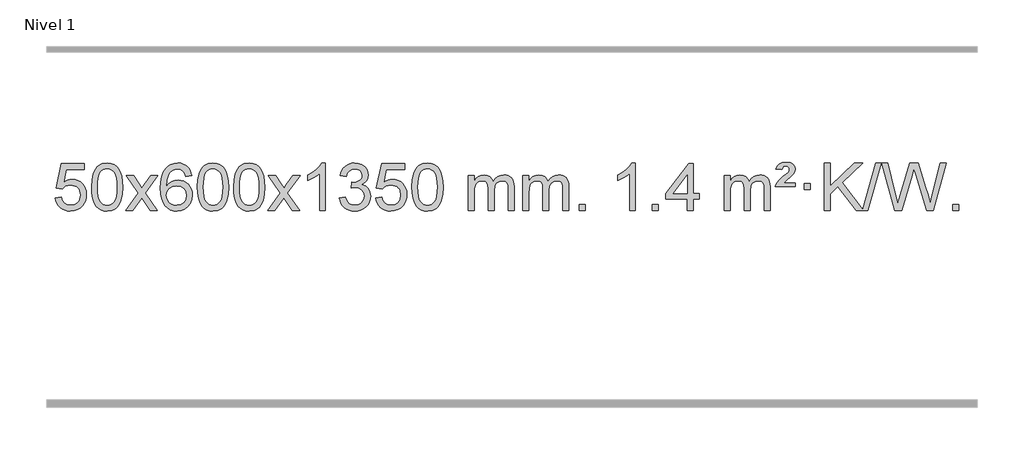
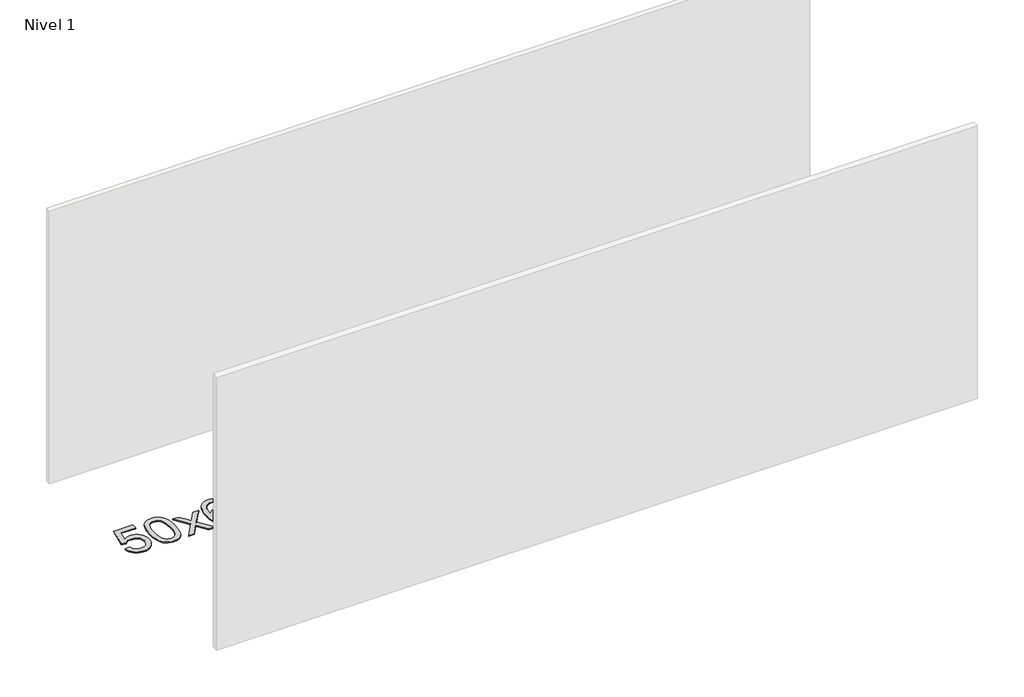
# One storey, part 8 of 9: 1 proxy.
"""IFC4 building model written with IfcOpenShell, lengths in millimetres."""

from ifc_helpers import new_model, si_unit, origin, origin_with_axes, place, context, project, spatial, polyline, outline, extrude, element, save

model = new_model("IFC4")

# Units and contexts
model_context = context("Model", 3, world=origin())
ifc_project = project(units=[si_unit("LENGTHUNIT", "METRE", prefix="MILLI")], contexts=[model_context])

# Site, building, storey
site = spatial("IfcSite", under=ifc_project)
building = spatial("IfcBuilding", under=site)
storey = spatial("IfcBuildingStorey", under=building, Name="Nivel 1", Elevation=0.0)

# Proxy
placement = place(None, origin())
element("IfcBuildingElementProxy", 1, Name="Texto de modelo 1", ObjectType="Texto de modelo 1", at=placement, inside=storey, context=model_context, shape_type="SweptSolid", body=[
    extrude(outline(polyline([(-6456.1697105, -288.8446235), (-6405.9415554, -282.5661041), (-6396.71998, -312.7201649), (-6380.6312741, -334.3148381), (-6357.749014, -347.3010725), (-6328.1467761, -351.6298173), (-6309.0169124, -350.1245668), (-6292.1433915, -345.6088153), (-6277.5262136, -338.0825628), (-6265.1653786, -327.5458094), (-6255.3367979, -314.519721), (-6248.3163832, -299.5254641), (-6242.7000514, -263.6324441), (-6247.9607639, -229.8363514), (-6254.5366546, -215.9181493), (-6263.7429015, -203.9865099), (-6275.6101615, -194.4154467), (-6290.1690915, -187.5789729), (-6327.3619612, -182.1097939), (-6351.728012, -184.2925604), (-6371.4587497, -190.8408599), (-6387.2163618, -200.8717757), (-6399.663036, -213.5023908), (-6449.8911911, -207.2238715), (-6405.9415554, -0.0327318), (-6211.3074545, -0.0327318), (-6211.3074545, -50.2608869), (-6365.3273831, -50.2608869), (-6386.9097935, -160.919791), (-6369.1840127, -148.2155994), (-6351.0290362, -139.1411769), (-6332.4448641, -133.6965234), (-6313.4314963, -131.8816388), (-6288.9673437, -134.1318504), (-6266.4897537, -140.882485), (-6245.9987266, -152.1335427), (-6227.4942623, -167.8850234), (-6212.1719772, -187.1743027), (-6201.2274878, -209.038756), (-6194.6607942, -233.4783832), (-6192.4718963, -260.4931844), (-6194.440065, -286.5147042), (-6200.344571, -310.7213394), (-6210.1854144, -333.1130902), (-6223.9625951, -353.6899565), (-6244.833767, -374.7634634), (-6269.187555, -389.8159684), (-6297.0239593, -398.8474714), (-6328.3429799, -401.8579724), (-6354.2633321, -399.9235262), (-6377.6759554, -394.1201877), (-6398.5808498, -384.447957), (-6416.9780152, -370.9068338), (-6432.2849719, -354.1712688), (-6443.91924, -334.915712), (-6451.8808195, -313.1401636), (-6456.1697105, -288.8446235)])), origin_with_axes(), (0.0, 0.0, 1.0), 10.0),
    extrude(outline(polyline([(-6148.5222606, -197.9041943), (-6144.8311779, -133.5861588), (-6133.7579299, -82.2911459), (-6115.4128811, -43.2343407), (-6103.5548181, -28.0009605), (-6089.9063961, -15.6309284), (-6074.4216298, -6.0598651), (-6057.0545339, 0.7766086), (-6016.6733536, 6.2457876), (-5985.722215, 3.008426), (-5958.0084381, -6.7036586), (-5934.8318724, -22.5103217), (-5917.4923677, -44.0314184), (-5904.3957686, -71.0830078), (-5893.94792, -103.4811488), (-5887.1053149, -144.6226186), (-5884.8244465, -197.9041943), (-5888.478741, -261.8543477), (-5899.4416244, -313.0267333), (-5917.6763087, -352.1203266), (-5929.5067805, -367.3996922), (-5943.1460055, -379.8341036), (-5958.6491659, -389.4695462), (-5976.071444, -396.3520052), (-6016.6733536, -401.8579724), (-6044.3380796, -399.4667394), (-6068.8635459, -392.2930405), (-6090.2497526, -380.3368757), (-6108.4966996, -363.5982449), (-6126.0078825, -333.3399508), (-6138.5158704, -295.6381776), (-6146.0206631, -250.4929255), (-6148.5222606, -197.9041943)]), holes=[polyline([(-6098.2941056, -197.8060924), (-6096.8225776, -241.4706195), (-6092.4079936, -276.8148822), (-6085.0503537, -303.8388804), (-6074.7496579, -322.5426142), (-6062.290721, -335.2682656), (-6048.4583579, -344.3580165), (-6033.2525688, -349.8118671), (-6016.6733536, -351.6298173), (-6000.0941383, -349.8057357), (-5984.8883492, -344.3334911), (-5971.0559862, -335.2130833), (-5958.5970493, -322.4445124), (-5948.2963534, -303.7101217), (-5940.9387135, -276.6922549), (-5936.5241295, -241.3909118), (-5935.0526016, -197.8060924), (-5936.4750786, -155.2973278), (-5940.7425098, -120.5753989), (-5947.854895, -93.6403055), (-5957.8122343, -74.4920476), (-5970.0627048, -61.1440625), (-5984.0544833, -51.6097875), (-5999.78757, -45.8892225), (-6017.2619648, -43.9823675), (-6033.7553409, -45.6623619), (-6048.7036126, -50.7023452), (-6062.10678, -59.1023175), (-6073.9648429, -70.8622786), (-6084.6088953, -91.708925), (-6092.2117899, -119.8151094), (-6096.7735266, -155.1808319), (-6098.2941056, -197.8060924)])]), origin_with_axes(), (0.0, 0.0, 1.0), 10.0),
    extrude(outline(polyline([(-5859.7103689, -395.579453), (-5752.3869282, -247.1513307), (-5853.4318496, -100.4890419), (-5793.1973042, -100.4890419), (-5744.4406771, -171.2204869), (-5721.5829425, -204.4770192), (-5701.7663657, -177.2047007), (-5646.2407099, -100.4890419), (-5585.8099608, -100.4890419), (-5691.9561791, -247.2494325), (-5589.7340354, -395.579453), (-5650.0666826, -395.579453), (-5711.6746541, -306.3067555), (-5722.8582667, -289.923744), (-5799.2796199, -395.579453), (-5859.7103689, -395.579453)])), origin_with_axes(), (0.0, 0.0, 1.0), 10.0),
    extrude(outline(polyline([(-5300.9221437, -100.4890419), (-5351.1502988, -106.7675613), (-5359.2437027, -81.874213), (-5370.1820607, -64.8780648), (-5392.9662189, -49.2062918), (-5420.5083176, -43.9823675), (-5443.8565616, -47.0235253), (-5465.8313794, -56.1469988), (-5484.7037258, -75.3627017), (-5500.1179814, -101.8134171), (-5510.5290419, -139.227016), (-5514.3918028, -191.3313693), (-5494.2441322, -167.8237098), (-5470.0988106, -151.2567573), (-5443.3047386, -141.434308), (-5415.2108169, -138.1601582), (-5391.077758, -140.398107), (-5368.8086346, -147.1119534), (-5348.4034466, -158.3016975), (-5329.862194, -173.9673391), (-5314.4540698, -193.1769106), (-5303.4482668, -214.9984443), (-5296.844785, -239.4319401), (-5294.6436244, -266.4773982), (-5298.7884282, -302.4439945), (-5311.2228396, -335.786366), (-5330.9167891, -364.0642287), (-5356.840207, -384.8372987), (-5387.815871, -397.602804), (-5422.6665587, -401.8579724), (-5452.6090874, -399.0375437), (-5479.6514797, -390.5762579), (-5503.7937357, -376.4741147), (-5525.0358552, -356.7311143), (-5542.3539001, -330.5133908), (-5554.7239322, -296.9870783), (-5562.1459515, -256.1521768), (-5564.6199579, -208.0086864), (-5561.8731057, -154.0342663), (-5553.632549, -107.9693092), (-5539.8982878, -69.8138149), (-5520.6703222, -39.5677835), (-5499.8298072, -19.5243462), (-5475.6660915, -5.2076052), (-5448.179175, 3.3824394), (-5417.3690579, 6.2457876), (-5394.2354118, 4.4738227), (-5373.2967949, -0.8420722), (-5354.5532073, -9.7018969), (-5338.0046489, -22.1056515), (-5324.0987094, -37.6364031), (-5313.2829788, -55.8772186), (-5305.5574569, -76.8280983), (-5300.9221437, -100.4890419)]), holes=[polyline([(-5514.3918028, -265.6925832), (-5511.485535, -287.9494439), (-5502.7667318, -309.2007605), (-5489.2286743, -327.472233), (-5471.8646442, -340.7895612), (-5450.9076332, -348.9197533), (-5426.5906333, -351.6298173), (-5393.4444655, -346.0134855), (-5379.5293291, -338.9930708), (-5367.3861575, -329.1644901), (-5357.5361171, -316.9262824), (-5350.500374, -302.6769865), (-5344.8717794, -268.1451299), (-5350.4267976, -234.9989621), (-5357.3705702, -221.3781312), (-5367.0918519, -209.725469), (-5379.2718117, -200.3904634), (-5393.5916183, -193.7226022), (-5428.6507725, -188.3883133), (-5461.7478893, -193.7226022), (-5489.4248781, -209.725469), (-5500.3479076, -221.2248471), (-5508.1500716, -234.3858254), (-5512.83137, -249.2084042), (-5514.3918028, -265.6925832)])]), origin_with_axes(), (0.0, 0.0, 1.0), 10.0),
    extrude(outline(polyline([(-5250.6939887, -197.9041943), (-5247.002906, -133.5861588), (-5235.9296579, -82.2911459), (-5217.5846091, -43.2343407), (-5205.7265461, -28.0009605), (-5192.0781241, -15.6309284), (-5176.5933578, -6.0598651), (-5159.2262619, 0.7766086), (-5118.8450816, 6.2457876), (-5087.8939431, 3.008426), (-5060.1801661, -6.7036586), (-5037.0036004, -22.5103217), (-5019.6640957, -44.0314184), (-5006.5674967, -71.0830078), (-4996.119648, -103.4811488), (-4989.2770429, -144.6226186), (-4986.9961745, -197.9041943), (-4990.650469, -261.8543477), (-5001.6133525, -313.0267333), (-5019.8480367, -352.1203266), (-5031.6785085, -367.3996922), (-5045.3177335, -379.8341036), (-5060.8208939, -389.4695462), (-5078.2431721, -396.3520052), (-5118.8450816, -401.8579724), (-5146.5098076, -399.4667394), (-5171.035274, -392.2930405), (-5192.4214806, -380.3368757), (-5210.6684276, -363.5982449), (-5228.1796106, -333.3399508), (-5240.6875984, -295.6381776), (-5248.1923911, -250.4929255), (-5250.6939887, -197.9041943)]), holes=[polyline([(-5200.4658336, -197.8060924), (-5198.9943056, -241.4706195), (-5194.5797217, -276.8148822), (-5187.2220818, -303.8388804), (-5176.9213859, -322.5426142), (-5164.462449, -335.2682656), (-5150.630086, -344.3580165), (-5135.4242968, -349.8118671), (-5118.8450816, -351.6298173), (-5102.2658663, -349.8057357), (-5087.0600772, -344.3334911), (-5073.2277142, -335.2130833), (-5060.7687773, -322.4445124), (-5050.4680814, -303.7101217), (-5043.1104415, -276.6922549), (-5038.6958576, -241.3909118), (-5037.2243296, -197.8060924), (-5038.6468066, -155.2973278), (-5042.9142378, -120.5753989), (-5050.026623, -93.6403055), (-5059.9839624, -74.4920476), (-5072.2344328, -61.1440625), (-5086.2262114, -51.6097875), (-5101.959298, -45.8892225), (-5119.4336928, -43.9823675), (-5135.9270689, -45.6623619), (-5150.8753406, -50.7023452), (-5164.278508, -59.1023175), (-5176.136571, -70.8622786), (-5186.7806234, -91.708925), (-5194.3835179, -119.8151094), (-5198.9452547, -155.1808319), (-5200.4658336, -197.8060924)])]), origin_with_axes(), (0.0, 0.0, 1.0), 10.0),
    extrude(outline(polyline([(-4943.0465388, -197.9041943), (-4939.3554561, -133.5861588), (-4928.2822081, -82.2911459), (-4909.9371593, -43.2343407), (-4898.0790963, -28.0009605), (-4884.4306743, -15.6309284), (-4868.945908, -6.0598651), (-4851.5788121, 0.7766086), (-4811.1976318, 6.2457876), (-4780.2464932, 3.008426), (-4752.5327163, -6.7036586), (-4729.3561506, -22.5103217), (-4712.0166459, -44.0314184), (-4698.9200468, -71.0830078), (-4688.4721982, -103.4811488), (-4681.6295931, -144.6226186), (-4679.3487247, -197.9041943), (-4683.0030192, -261.8543477), (-4693.9659026, -313.0267333), (-4712.2005869, -352.1203266), (-4724.0310587, -367.3996922), (-4737.6702837, -379.8341036), (-4753.1734441, -389.4695462), (-4770.5957222, -396.3520052), (-4811.1976318, -401.8579724), (-4838.8623578, -399.4667394), (-4863.3878241, -392.2930405), (-4884.7740308, -380.3368757), (-4903.0209778, -363.5982449), (-4920.5321607, -333.3399508), (-4933.0401486, -295.6381776), (-4940.5449413, -250.4929255), (-4943.0465388, -197.9041943)]), holes=[polyline([(-4892.8183838, -197.8060924), (-4891.3468558, -241.4706195), (-4886.9322718, -276.8148822), (-4879.5746319, -303.8388804), (-4869.2739361, -322.5426142), (-4856.8149992, -335.2682656), (-4842.9826361, -344.3580165), (-4827.776847, -349.8118671), (-4811.1976318, -351.6298173), (-4794.6184165, -349.8057357), (-4779.4126274, -344.3334911), (-4765.5802644, -335.2130833), (-4753.1213275, -322.4445124), (-4742.8206316, -303.7101217), (-4735.4629917, -276.6922549), (-4731.0484077, -241.3909118), (-4729.5768798, -197.8060924), (-4730.9993568, -155.2973278), (-4735.266788, -120.5753989), (-4742.3791732, -93.6403055), (-4752.3365125, -74.4920476), (-4764.586983, -61.1440625), (-4778.5787615, -51.6097875), (-4794.3118482, -45.8892225), (-4811.786243, -43.9823675), (-4828.2796191, -45.6623619), (-4843.2278908, -50.7023452), (-4856.6310582, -59.1023175), (-4868.4891211, -70.8622786), (-4879.1331735, -91.708925), (-4886.7360681, -119.8151094), (-4891.2978048, -155.1808319), (-4892.8183838, -197.8060924)])]), origin_with_axes(), (0.0, 0.0, 1.0), 10.0),
    extrude(outline(polyline([(-4654.2346472, -395.579453), (-4546.9112064, -247.1513307), (-4647.9561278, -100.4890419), (-4587.7215824, -100.4890419), (-4538.9649553, -171.2204869), (-4516.1072207, -204.4770192), (-4496.2906439, -177.2047007), (-4440.7649881, -100.4890419), (-4380.334239, -100.4890419), (-4486.4804574, -247.2494325), (-4384.2583136, -395.579453), (-4444.5909608, -395.579453), (-4506.1989323, -306.3067555), (-4517.3825449, -289.923744), (-4593.8038981, -395.579453), (-4654.2346472, -395.579453)])), origin_with_axes(), (0.0, 0.0, 1.0), 10.0),
    extrude(outline(polyline([(-4164.5101352, -395.579453), (-4214.7382902, -395.579453), (-4214.7382902, -82.4382987), (-4235.707564, -99.3976587), (-4262.317695, -116.3324932), (-4315.1946004, -141.6918254), (-4315.1946004, -94.2105225), (-4275.7453878, -72.7507395), (-4241.5691504, -47.219729), (-4214.6279257, -20.0700378), (-4196.8837508, 6.2457876), (-4164.5101352, 6.2457876), (-4164.5101352, -395.579453)])), origin_with_axes(), (0.0, 0.0, 1.0), 10.0),
    extrude(outline(polyline([(-4045.2182669, -288.8446235), (-3994.9901118, -282.5661041), (-3983.7451855, -314.1303793), (-3967.2763348, -335.4430095), (-3944.7742195, -347.5831154), (-3915.429499, -351.6298173), (-3880.9957442, -346.0625364), (-3866.7219228, -339.1034354), (-3854.4101387, -329.3606939), (-3837.4139905, -304.4428201), (-3831.7486078, -274.2274455), (-3837.3649396, -245.5449126), (-3854.213935, -222.2825078), (-3879.72042, -206.8682522), (-3911.3092206, -201.730167), (-3946.5277903, -207.2238715), (-3940.935984, -156.9957164), (-3932.891631, -157.5843276), (-3902.7988838, -153.979084), (-3875.8944472, -143.1633534), (-3864.8211992, -134.9841103), (-3856.9117363, -124.8673555), (-3852.1660585, -112.8130888), (-3850.584166, -98.8213102), (-3855.1704282, -77.1285352), (-3868.9292148, -59.5315131), (-3889.923014, -47.8696539), (-3916.2143139, -43.9823675), (-3942.5546648, -47.9064421), (-3964.0880242, -59.6786659), (-3979.8088481, -79.299039), (-3988.7115924, -106.7675613), (-4038.9397475, -100.4890419), (-4032.9861905, -76.5092672), (-4024.1508913, -55.3867093), (-4012.4338497, -37.1213683), (-3997.8350659, -21.713244), (-3980.8143922, -9.4811677), (-3961.8316813, -0.7439703), (-3940.886933, 4.4983481), (-3917.9801475, 6.2457876), (-3886.4036096, 2.7999596), (-3857.4022456, -7.5375245), (-3832.9503557, -23.8469596), (-3815.0222398, -45.2086408), (-3804.0225681, -69.8199463), (-3800.3560109, -95.8782543), (-3803.8386271, -120.1584659), (-3814.2864758, -142.1823347), (-3831.5524041, -160.9443165), (-3855.4892592, -175.4388671), (-3824.0476114, -188.1430586), (-3800.7484183, -209.77452), (-3786.3274441, -239.1560286), (-3781.5204527, -275.1103623), (-3783.9239484, -300.5923218), (-3791.1344355, -324.0631931), (-3803.151914, -345.5229762), (-3819.976384, -364.971671), (-3840.4735425, -381.1094278), (-3863.5090867, -392.636397), (-3889.0830168, -399.5525785), (-3917.1953326, -401.8579724), (-3942.6037157, -399.8898037), (-3965.7557559, -393.9852977), (-3986.6514532, -384.1444543), (-4005.2908077, -370.3672736), (-4020.9196611, -353.4630959), (-4032.7838554, -334.2412617), (-4040.8833907, -312.7017708), (-4045.2182669, -288.8446235)])), origin_with_axes(), (0.0, 0.0, 1.0), 10.0),
    extrude(outline(polyline([(-3737.570817, -288.8446235), (-3687.342662, -282.5661041), (-3678.1210866, -312.7201649), (-3662.0323807, -334.3148381), (-3639.1501206, -347.3010725), (-3609.5478827, -351.6298173), (-3590.418019, -350.1245668), (-3573.5444981, -345.6088153), (-3558.9273202, -338.0825628), (-3546.5664851, -327.5458094), (-3536.7379045, -314.519721), (-3529.7174898, -299.5254641), (-3524.101158, -263.6324441), (-3529.3618705, -229.8363514), (-3535.9377612, -215.9181493), (-3545.1440081, -203.9865099), (-3557.0112681, -194.4154467), (-3571.5701981, -187.5789729), (-3608.7630678, -182.1097939), (-3633.1291186, -184.2925604), (-3652.8598563, -190.8408599), (-3668.6174684, -200.8717757), (-3681.0641426, -213.5023908), (-3731.2922977, -207.2238715), (-3687.342662, -0.0327318), (-3492.708561, -0.0327318), (-3492.708561, -50.2608869), (-3646.7284897, -50.2608869), (-3668.3109001, -160.919791), (-3650.5851193, -148.2155994), (-3632.4301428, -139.1411769), (-3613.8459707, -133.6965234), (-3594.8326029, -131.8816388), (-3570.3684502, -134.1318504), (-3547.8908603, -140.882485), (-3527.3998332, -152.1335427), (-3508.8953688, -167.8850234), (-3493.5730837, -187.1743027), (-3482.6285944, -209.038756), (-3476.0619008, -233.4783832), (-3473.8730029, -260.4931844), (-3475.8411716, -286.5147042), (-3481.7456776, -310.7213394), (-3491.586521, -333.1130902), (-3505.3637017, -353.6899565), (-3526.2348735, -374.7634634), (-3550.5886616, -389.8159684), (-3578.4250659, -398.8474714), (-3609.7440864, -401.8579724), (-3635.6644387, -399.9235262), (-3659.077062, -394.1201877), (-3679.9819564, -384.447957), (-3698.3791218, -370.9068338), (-3713.6860785, -354.1712688), (-3725.3203466, -334.915712), (-3733.2819261, -313.1401636), (-3737.570817, -288.8446235)])), origin_with_axes(), (0.0, 0.0, 1.0), 10.0),
    extrude(outline(polyline([(-3429.9233672, -197.9041943), (-3426.2322845, -133.5861588), (-3415.1590365, -82.2911459), (-3396.8139876, -43.2343407), (-3384.9559247, -28.0009605), (-3371.3075026, -15.6309284), (-3355.8227363, -6.0598651), (-3338.4556405, 0.7766086), (-3298.0744601, 6.2457876), (-3267.1233216, 3.008426), (-3239.4095446, -6.7036586), (-3216.2329789, -22.5103217), (-3198.8934742, -44.0314184), (-3185.7968752, -71.0830078), (-3175.3490265, -103.4811488), (-3168.5064214, -144.6226186), (-3166.2255531, -197.9041943), (-3169.8798475, -261.8543477), (-3180.842731, -313.0267333), (-3199.0774152, -352.1203266), (-3210.9078871, -367.3996922), (-3224.547112, -379.8341036), (-3240.0502724, -389.4695462), (-3257.4725506, -396.3520052), (-3298.0744601, -401.8579724), (-3325.7391862, -399.4667394), (-3350.2646525, -392.2930405), (-3371.6508592, -380.3368757), (-3389.8978061, -363.5982449), (-3407.4089891, -333.3399508), (-3419.9169769, -295.6381776), (-3427.4217696, -250.4929255), (-3429.9233672, -197.9041943)]), holes=[polyline([(-3379.6952121, -197.8060924), (-3378.2236842, -241.4706195), (-3373.8091002, -276.8148822), (-3366.4514603, -303.8388804), (-3356.1507644, -322.5426142), (-3343.6918275, -335.2682656), (-3329.8594645, -344.3580165), (-3314.6536754, -349.8118671), (-3298.0744601, -351.6298173), (-3281.4952449, -349.8057357), (-3266.2894558, -344.3334911), (-3252.4570927, -335.2130833), (-3239.9981558, -322.4445124), (-3229.69746, -303.7101217), (-3222.3398201, -276.6922549), (-3217.9252361, -241.3909118), (-3216.4537081, -197.8060924), (-3217.8761852, -155.2973278), (-3222.1436163, -120.5753989), (-3229.2560016, -93.6403055), (-3239.2133409, -74.4920476), (-3251.4638113, -61.1440625), (-3265.4555899, -51.6097875), (-3281.1886766, -45.8892225), (-3298.6630713, -43.9823675), (-3315.1564474, -45.6623619), (-3330.1047192, -50.7023452), (-3343.5078865, -59.1023175), (-3355.3659495, -70.8622786), (-3366.0100019, -91.708925), (-3373.6128965, -119.8151094), (-3378.1746332, -155.1808319), (-3379.6952121, -197.8060924)])]), origin_with_axes(), (0.0, 0.0, 1.0), 10.0),
    extrude(outline(polyline([(-2952.755894, -395.579453), (-2952.755894, -100.4890419), (-2902.5277389, -100.4890419), (-2902.5277389, -149.0494653), (-2887.4200517, -126.7435537), (-2867.9958823, -109.2691589), (-2844.9174185, -97.9751816), (-2818.8468478, -94.2105225), (-2790.9123416, -98.048758), (-2768.5205908, -109.5634645), (-2751.7942228, -127.9943524), (-2740.8558648, -152.5811324), (-2722.5476041, -127.0439906), (-2701.6641696, -108.803175), (-2678.205561, -97.8586857), (-2652.1717785, -94.2105225), (-2632.0639617, -95.7280358), (-2614.414823, -100.2805755), (-2599.2243623, -107.8681416), (-2586.4925796, -118.4907342), (-2576.4279413, -132.2709806), (-2569.238914, -149.3315082), (-2564.9254976, -169.6723168), (-2563.4876922, -193.2934066), (-2563.4876922, -395.579453), (-2613.7158472, -395.579453), (-2613.7158472, -214.875817), (-2614.8808069, -189.8230531), (-2618.3756858, -172.9372695), (-2624.9239854, -161.3735121), (-2635.2492067, -152.2868268), (-2648.5297467, -146.4007149), (-2663.9440023, -144.4386776), (-2691.1550072, -149.4663982), (-2713.3382915, -164.54956), (-2721.9436645, -176.1194488), (-2728.0903595, -190.7182326), (-2733.0077155, -229.0024856), (-2733.0077155, -395.579453), (-2783.2358706, -395.579453), (-2783.2358706, -209.2840106), (-2786.1421384, -180.8835206), (-2794.8609417, -160.6254854), (-2810.2016209, -148.4853796), (-2832.9735164, -144.4386776), (-2852.3241093, -147.1364789), (-2870.1541233, -155.2298828), (-2884.8694032, -168.5226856), (-2894.8757934, -186.8186835), (-2900.6147525, -212.2025411), (-2902.5277389, -246.7589232), (-2902.5277389, -395.579453), (-2952.755894, -395.579453)])), origin_with_axes(), (0.0, 0.0, 1.0), 10.0),
    extrude(outline(polyline([(-2488.1454596, -395.579453), (-2488.1454596, -100.4890419), (-2437.9173045, -100.4890419), (-2437.9173045, -149.0494653), (-2422.8096172, -126.7435537), (-2403.3854479, -109.2691589), (-2380.306984, -97.9751816), (-2354.2364133, -94.2105225), (-2326.3019071, -98.048758), (-2303.9101564, -109.5634645), (-2287.1837883, -127.9943524), (-2276.2454303, -152.5811324), (-2257.9371697, -127.0439906), (-2237.0537351, -108.803175), (-2213.5951266, -97.8586857), (-2187.561344, -94.2105225), (-2167.4535273, -95.7280358), (-2149.8043886, -100.2805755), (-2134.6139279, -107.8681416), (-2121.8821452, -118.4907342), (-2111.8175069, -132.2709806), (-2104.6284796, -149.3315082), (-2100.3150632, -169.6723168), (-2098.8772577, -193.2934066), (-2098.8772577, -395.579453), (-2149.1054128, -395.579453), (-2149.1054128, -214.875817), (-2150.2703724, -189.8230531), (-2153.7652514, -172.9372695), (-2160.3135509, -161.3735121), (-2170.6387722, -152.2868268), (-2183.9193123, -146.4007149), (-2199.3335679, -144.4386776), (-2226.5445728, -149.4663982), (-2248.7278571, -164.54956), (-2257.3332301, -176.1194488), (-2263.4799251, -190.7182326), (-2268.3972811, -229.0024856), (-2268.3972811, -395.579453), (-2318.6254362, -395.579453), (-2318.6254362, -209.2840106), (-2321.5317039, -180.8835206), (-2330.2505072, -160.6254854), (-2345.5911864, -148.4853796), (-2368.3630819, -144.4386776), (-2387.7136749, -147.1364789), (-2405.5436889, -155.2298828), (-2420.2589687, -168.5226856), (-2430.265359, -186.8186835), (-2436.0043181, -212.2025411), (-2437.9173045, -246.7589232), (-2437.9173045, -395.579453), (-2488.1454596, -395.579453)])), origin_with_axes(), (0.0, 0.0, 1.0), 10.0),
    extrude(outline(polyline([(-2010.9779863, -395.579453), (-2010.9779863, -345.3512979), (-1960.7498313, -345.3512979), (-1960.7498313, -395.579453), (-2010.9779863, -395.579453)])), origin_with_axes(), (0.0, 0.0, 1.0), 10.0),
    extrude(outline(polyline([(-1533.8105131, -395.579453), (-1584.0386682, -395.579453), (-1584.0386682, -82.4382987), (-1605.0079419, -99.3976587), (-1631.6180729, -116.3324932), (-1684.4949784, -141.6918254), (-1684.4949784, -94.2105225), (-1645.0457657, -72.7507395), (-1610.8695284, -47.219729), (-1583.9283036, -20.0700378), (-1566.1841287, 6.2457876), (-1533.8105131, 6.2457876), (-1533.8105131, -395.579453)])), origin_with_axes(), (0.0, 0.0, 1.0), 10.0),
    extrude(outline(polyline([(-1389.4045673, -395.579453), (-1389.4045673, -345.3512979), (-1339.1764122, -345.3512979), (-1339.1764122, -395.579453), (-1389.4045673, -395.579453)])), origin_with_axes(), (0.0, 0.0, 1.0), 10.0),
    extrude(outline(polyline([(-1094.3141562, -395.579453), (-1094.3141562, -301.4016622), (-1276.3912184, -301.4016622), (-1276.3912184, -251.1735072), (-1081.7571175, -0.0327318), (-1044.0860012, -0.0327318), (-1044.0860012, -251.1735072), (-993.8578461, -251.1735072), (-993.8578461, -301.4016622), (-1044.0860012, -301.4016622), (-1044.0860012, -395.579453), (-1094.3141562, -395.579453)]), holes=[polyline([(-1094.3141562, -251.1735072), (-1094.3141562, -95.9763561), (-1214.5870432, -251.1735072), (-1094.3141562, -251.1735072)])]), origin_with_axes(), (0.0, 0.0, 1.0), 10.0),
    extrude(outline(polyline([(-780.388187, -395.579453), (-780.388187, -100.4890419), (-730.1600319, -100.4890419), (-730.1600319, -149.0494653), (-715.0523447, -126.7435537), (-695.6281753, -109.2691589), (-672.5497115, -97.9751816), (-646.4791408, -94.2105225), (-618.5446346, -98.048758), (-596.1528838, -109.5634645), (-579.4265158, -127.9943524), (-568.4881578, -152.5811324), (-550.1798972, -127.0439906), (-529.2964626, -108.803175), (-505.837854, -97.8586857), (-479.8040715, -94.2105225), (-459.6962548, -95.7280358), (-442.047116, -100.2805755), (-426.8566553, -107.8681416), (-414.1248726, -118.4907342), (-404.0602344, -132.2709806), (-396.871207, -149.3315082), (-392.5577906, -169.6723168), (-391.1199852, -193.2934066), (-391.1199852, -395.579453), (-441.3481403, -395.579453), (-441.3481403, -214.875817), (-442.5130999, -189.8230531), (-446.0079789, -172.9372695), (-452.5562784, -161.3735121), (-462.8814997, -152.2868268), (-476.1620397, -146.4007149), (-491.5762953, -144.4386776), (-518.7873002, -149.4663982), (-540.9705845, -164.54956), (-549.5759576, -176.1194488), (-555.7226526, -190.7182326), (-560.6400086, -229.0024856), (-560.6400086, -395.579453), (-610.8681636, -395.579453), (-610.8681636, -209.2840106), (-613.7744314, -180.8835206), (-622.4932347, -160.6254854), (-637.8339139, -148.4853796), (-660.6058094, -144.4386776), (-679.9564023, -147.1364789), (-697.7864164, -155.2298828), (-712.5016962, -168.5226856), (-722.5080864, -186.8186835), (-728.2470456, -212.2025411), (-730.1600319, -246.7589232), (-730.1600319, -395.579453), (-780.388187, -395.579453)])), origin_with_axes(), (0.0, 0.0, 1.0), 10.0),
    extrude(outline(polyline([(-347.1703495, -194.6668327), (-343.3443767, -178.8479069), (-335.0057182, -162.9799302), (-313.4968842, -137.8413272), (-281.5402016, -110.1030247), (-237.3943621, -72.726214), (-230.2574514, -61.1992448), (-227.8784812, -49.3779701), (-229.7669421, -37.2869152), (-235.4323248, -27.5012541), (-244.801053, -21.026531), (-257.7995501, -18.8682899), (-270.2339616, -20.4869707), (-279.0876549, -25.343013), (-285.5133271, -34.8098431), (-290.663675, -50.2608869), (-340.8918301, -43.9823675), (-330.051574, -18.7701881), (-313.4233078, -1.2099542), (-289.6581309, 9.0907417), (-257.4071427, 12.524307), (-221.6244873, 8.3917659), (-196.8782917, -4.0058573), (-182.4573175, -22.3386434), (-177.6503261, -44.2766731), (-181.746079, -67.1834586), (-194.0333376, -88.8149199), (-214.561153, -108.6314968), (-251.0305214, -136.6886303), (-276.6351083, -163.2742358), (-177.6503261, -163.2742358), (-177.6503261, -194.6668327), (-347.1703495, -194.6668327)])), origin_with_axes(), (0.0, 0.0, 1.0), 10.0),
    extrude(outline(polyline([(-102.3080935, -219.7809102), (-102.3080935, -169.5527552), (-52.0799384, -169.5527552), (-52.0799384, -219.7809102), (-102.3080935, -219.7809102)])), origin_with_axes(), (0.0, 0.0, 1.0), 10.0),
    extrude(outline(polyline([(338.5616895, -395.579453), (185.0322702, -192.9009991), (117.440085, -257.4520265), (117.440085, -395.579453), (67.2119299, -395.579453), (67.2119299, 6.2457876), (117.440085, 6.2457876), (117.440085, -190.4484525), (323.4540023, 6.2457876), (393.6949379, 6.2457876), (220.6432473, -158.9577537), (395.3942808, -389.5373449), (506.7082868, 6.2457876), (552.2275523, 6.2457876), (439.1161015, -395.579453), (399.9734572, -395.579453), (393.6949379, -395.579453), (338.5616895, -395.579453)])), origin_with_axes(), (0.0, 0.0, 1.0), 10.0),
    extrude(outline(polyline([(666.5162255, -395.579453), (556.9364419, 6.2457876), (608.7342268, 6.2457876), (672.3042355, -257.844434), (691.9246086, -339.3670841), (712.9184078, -267.2622131), (792.5771225, 6.2457876), (867.2326421, 6.2457876), (925.1127426, -192.0180823), (949.9079891, -265.5944814), (968.1794615, -339.3670841), (987.2112234, -260.1988788), (1051.2717415, 6.2457876), (1103.1676283, 6.2457876), (993.6859465, -395.579453), (939.9261243, -395.579453), (843.4919906, -85.5775584), (830.0520351, -42.3146358), (814.9443478, -94.4067263), (727.1431783, -395.579453), (666.5162255, -395.579453)])), origin_with_axes(), (0.0, 0.0, 1.0), 10.0),
    extrude(outline(polyline([(1159.6743028, -395.579453), (1159.6743028, -345.3512979), (1209.9024578, -345.3512979), (1209.9024578, -395.579453), (1159.6743028, -395.579453)])), origin_with_axes(), (0.0, 0.0, 1.0), 10.0),
])

save(model, "model.ifc")
